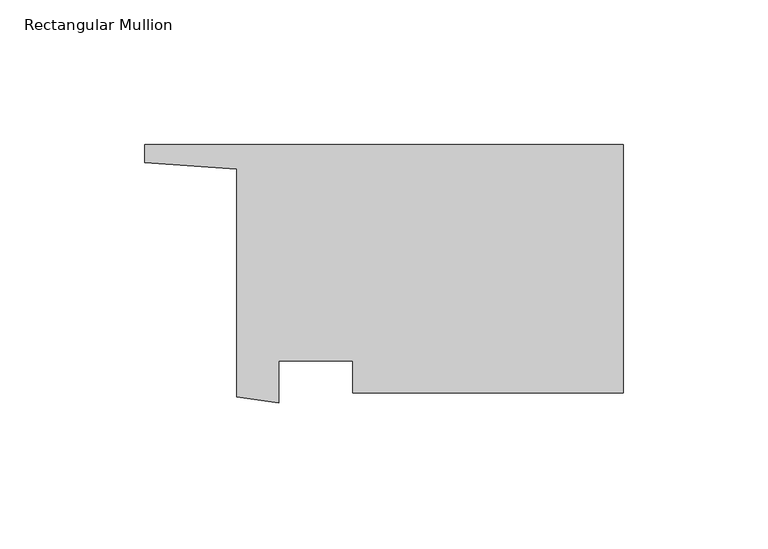
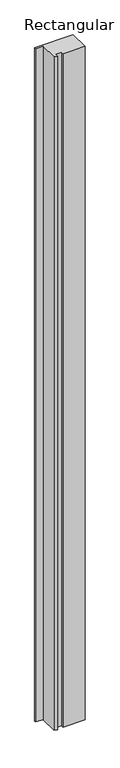
"""IFC4 building model written with IfcOpenShell, lengths in millimetres: member geometry, Rectangular Mullion."""

from ifc_helpers import new_model, si_unit, frame, origin, place, context, project, spatial, polyline, outline, extrude, source, transform, mapped, element, save


def rectangular_mullion_e6ee4f38(model_context):
    return source(origin(), model_context, "Body", "SweptSolid", [
        extrude(outline(polyline([(-133.3499375, 35.8971383), (-165.1, 38.0964726), (-165.1, 44.3287654), (0.0, 44.3287654), (0.0, -41.3963616), (-93.3643278, -41.3963616), (-93.3643278, -30.2838616), (-118.8464125, -30.2838616), (-118.8464125, -44.7923616), (-133.3499375, -42.7367439), (-133.3499375, 35.8971383)])), frame((0.0, 0.0, -3048.0), z_axis=(0.0, 0.0, 1.0), x_axis=(1.0, 0.0, 0.0)), (0.0, 0.0, 1.0), 3048.0),
    ])


if __name__ == "__main__":
    model = new_model("IFC4")
    model_context = context("Model", 3, world=origin())
    ifc_project = project(units=[si_unit("LENGTHUNIT", "METRE", prefix="MILLI")], contexts=[model_context])
    site = spatial("IfcSite", under=ifc_project)
    building = spatial("IfcBuilding", under=site)
    placement = place(None, origin())
    rectangular_mullion_shape = rectangular_mullion_e6ee4f38(model_context)
    element("IfcMember", 1, ObjectType="Rectangular Mullion", at=placement, inside=building, context=model_context, shape_type="MappedRepresentation", body=[
        mapped(rectangular_mullion_shape, transform((0.0, 0.0, 0.0), x_axis=(1.0, 0.0, 0.0), y_axis=(0.0, 1.0, 0.0), z_axis=(0.0, 0.0, 1.0))),
    ])
    save(model, "model.ifc")
